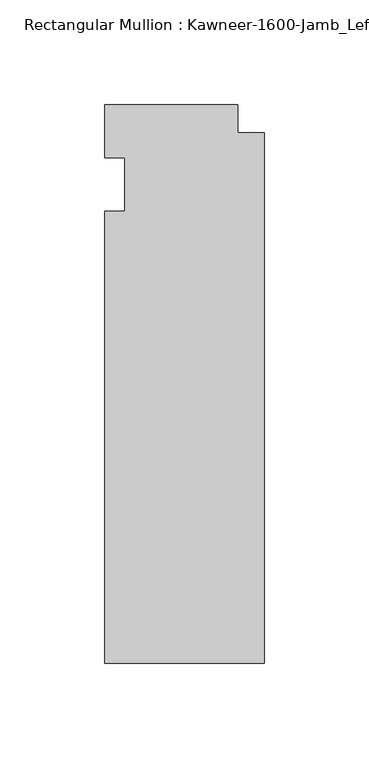
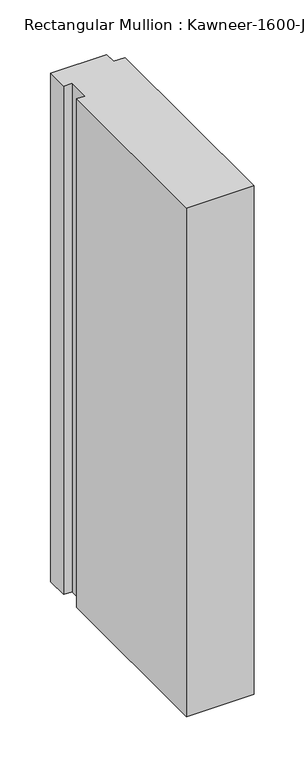
"""IFC4 building model written with IfcOpenShell, lengths in millimetres: member geometry."""

from ifc_helpers import new_model, si_unit, frame, origin, place, context, project, spatial, polyline, outline, extrude, source, transform, mapped, element, save


def member_e1edc1e9(model_context):
    return source(origin(), model_context, "Body", "SweptSolid", [
        extrude(outline(polyline([(-76.2, -12.7), (-66.675, -12.7), (-66.675, 12.7), (-76.2, 12.7), (-76.2, 38.1), (-12.7, 38.1), (-12.7, 24.60625), (0.0, 24.60625), (0.0, -228.6), (-76.2, -228.6), (-76.2, -12.7)])), frame((0.0, 0.0, -609.6), z_axis=(0.0, 0.0, 1.0), x_axis=(1.0, 0.0, 0.0)), (0.0, 0.0, 1.0), 609.6),
    ])


if __name__ == "__main__":
    model = new_model("IFC4")
    model_context = context("Model", 3, world=origin())
    ifc_project = project(units=[si_unit("LENGTHUNIT", "METRE", prefix="MILLI")], contexts=[model_context])
    site = spatial("IfcSite", under=ifc_project)
    building = spatial("IfcBuilding", under=site)
    placement = place(None, origin())
    member_shape = member_e1edc1e9(model_context)
    element("IfcMember", 1, ObjectType="Rectangular Mullion : Kawneer-1600-Jamb_Left-System1-10_1/2\"-1\"Infill", at=placement, inside=building, context=model_context, shape_type="MappedRepresentation", body=[
        mapped(member_shape, transform((0.0, 0.0, 0.0), x_axis=(1.0, 0.0, 0.0), y_axis=(0.0, 1.0, 0.0), z_axis=(0.0, 0.0, 1.0))),
    ])
    save(model, "model.ifc")
